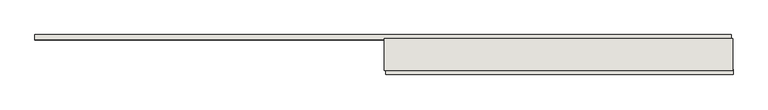
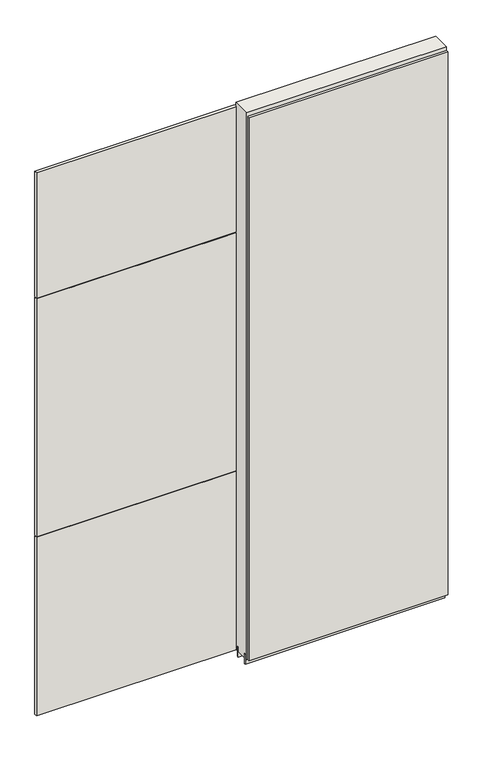
"""IFC4 building model written with IfcOpenShell, lengths in millimetres: wall geometry."""

from ifc_helpers import new_model, si_unit, frame, origin, place, context, project, spatial, polyline, outline, extrude, source, transform, mapped, element, save


def wall_07e1190d(model_context):
    return source(origin(), model_context, "Body", "SweptSolid", [
        extrude(outline(polyline([(72233.768918, -47236.919496), (72236.308918, -47236.919496), (72236.308918, -47239.459496), (72233.768918, -47239.459496), (72233.768918, -47236.919496)])), frame((0.0, 0.0, 4419.6), z_axis=(0.0, 0.0, 1.0), x_axis=(1.0, 0.0, 0.0)), (0.0, 0.0, 1.0), 2.54),
        extrude(outline(polyline([(72236.7723918, -47288.989496), (71354.6613798, -47288.989496), (71354.6613798, -47276.289496), (72236.7723918, -47276.289496), (72236.7723918, -47288.989496)])), frame((0.0, 0.0, 4445.0), z_axis=(0.0, 0.0, 1.0), x_axis=(1.0, 0.0, 0.0)), (0.0, 0.0, 1.0), 2545.0498756),
        extrude(outline(polyline([(70463.6208708, -47187.389496), (72231.8427852, -47187.389496), (72231.8427852, -47200.089496), (70463.6208708, -47200.089496), (70463.6208708, -47187.389496)])), frame((0.0, 0.0, 6402.8000722), z_axis=(0.0, 0.0, 1.0), x_axis=(1.0, 0.0, 0.0)), (0.0, 0.0, 1.0), 587.2498034),
        extrude(outline(polyline([(70463.6208708, -47187.389496), (72231.8427852, -47187.389496), (72231.8427852, -47200.089496), (70463.6208708, -47200.089496), (70463.6208708, -47187.389496)])), frame((0.0, 0.0, 5285.2000722), z_axis=(0.0, 0.0, 1.0), x_axis=(1.0, 0.0, 0.0)), (0.0, 0.0, 1.0), 1113.5999572),
        extrude(outline(polyline([(70463.6208708, -47187.389496), (72231.8427852, -47187.389496), (72231.8427852, -47200.089496), (70463.6208708, -47200.089496), (70463.6208708, -47187.389496)])), frame((0.0, 0.0, 4445.0), z_axis=(0.0, 0.0, 1.0), x_axis=(1.0, 0.0, 0.0)), (0.0, 0.0, 1.0), 836.200004),
        extrude(outline(polyline([(71350.1998952, -47263.2794382), (72236.303965, -47263.2794382), (72236.303965, -47268.3581936), (71350.1998952, -47268.3581936), (71350.1998952, -47263.2794382)])), frame((0.0, 0.0, 4418.6602), z_axis=(0.0, 0.0, 1.0), x_axis=(1.0, 0.0, 0.0)), (0.0, 0.0, 1.0), 47.625),
        extrude(outline(polyline([(71350.1998952, -47263.2794382), (72236.303965, -47263.2794382), (72236.303965, -47268.3581936), (71350.1998952, -47268.3581936), (71350.1998952, -47263.2794382)])), frame((0.0, 0.0, 4418.6602), z_axis=(0.0, 0.0, 1.0), x_axis=(1.0, 0.0, 0.0)), (0.0, 0.0, 1.0), 47.625),
        extrude(outline(polyline([(72236.303965, -47213.1150732), (71350.1998952, -47213.1150732), (71350.1998952, -47208.0331936), (72236.303965, -47208.0331936), (72236.303965, -47213.1150732)])), frame((0.0, 0.0, 4418.6602), z_axis=(0.0, 0.0, 1.0), x_axis=(1.0, 0.0, 0.0)), (0.0, 0.0, 1.0), 47.625),
        extrude(outline(polyline([(72236.303965, -47213.1150732), (71350.1998952, -47213.1150732), (71350.1998952, -47208.0331936), (72236.303965, -47208.0331936), (72236.303965, -47213.1150732)])), frame((0.0, 0.0, 4418.6602), z_axis=(0.0, 0.0, 1.0), x_axis=(1.0, 0.0, 0.0)), (0.0, 0.0, 1.0), 47.625),
        extrude(outline(polyline([(71350.1998952, -47278.8226888), (71350.1998952, -47197.5439334), (72236.303965, -47197.5439334), (72236.303965, -47278.8226888), (71350.1998952, -47278.8226888)])), frame((0.0, 0.0, 4445.0), z_axis=(0.0, 0.0, 1.0), x_axis=(1.0, 0.0, 0.0)), (0.0, 0.0, 1.0), 2562.4536762),
    ])


if __name__ == "__main__":
    model = new_model("IFC4")
    model_context = context("Model", 3, world=origin())
    ifc_project = project(units=[si_unit("LENGTHUNIT", "METRE", prefix="MILLI")], contexts=[model_context])
    site = spatial("IfcSite", under=ifc_project)
    building = spatial("IfcBuilding", under=site)
    placement = place(None, origin())
    wall_shape = wall_07e1190d(model_context)
    element("IfcWall", 1, at=placement, inside=building, context=model_context, shape_type="MappedRepresentation", body=[
        mapped(wall_shape, transform((0.0, 0.0, 0.0), x_axis=(1.0, 0.0, 0.0), y_axis=(0.0, 1.0, 0.0), z_axis=(0.0, 0.0, 1.0))),
    ])
    save(model, "model.ifc")
